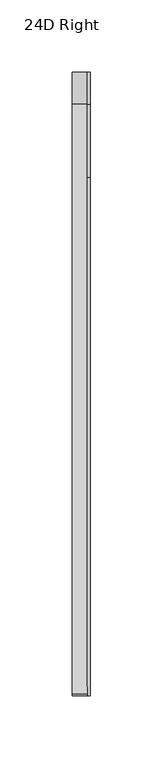
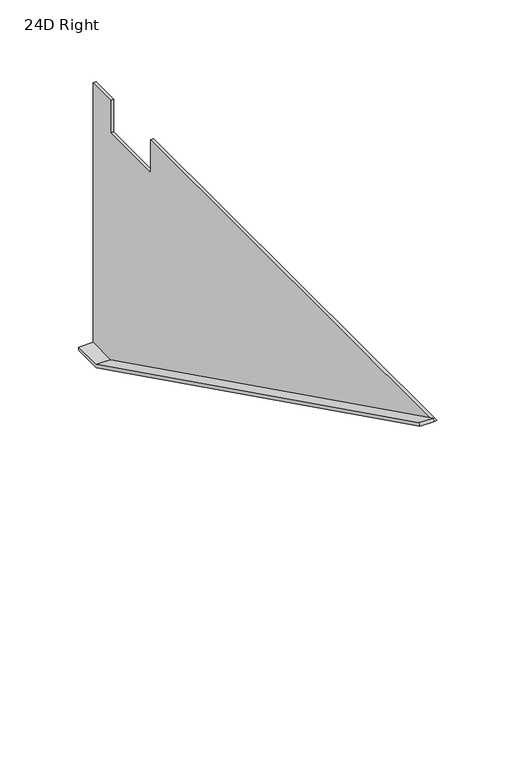
"""IFC4 building model written with IfcOpenShell, lengths in millimetres: furniture geometry, 24D Right."""

from ifc_helpers import new_model, si_unit, frame, origin, place, context, project, spatial, polyline, outline, extrude, source, transform, mapped, element, save


def furniture_24d_right_03892893(model_context):
    return source(origin(), model_context, "Body", "SweptSolid", [
        extrude(outline(polyline([(254.0, 835.7235), (254.0, 833.4375), (231.775, 833.4375), (-178.0807823, 1036.6375), (-177.0653655, 1038.6856027), (232.3105764, 835.7235), (254.0, 835.7235)])), frame((-12.7, 0.0, 0.0), z_axis=(1.0, 0.0, 0.0), x_axis=(0.0, 1.0, 0.0)), (0.0, 0.0, 1.0), 10.414),
        extrude(outline(polyline([(254.0, 1036.6375), (254.0, 833.4375), (231.775, 833.4375), (-178.0807823, 1036.6375), (180.975, 1036.6375), (180.975, 1011.2375), (231.775, 1011.2375), (231.775, 1036.6375), (254.0, 1036.6375)])), frame((-2.286, 0.0, 0.0), z_axis=(1.0, 0.0, 0.0), x_axis=(0.0, 1.0, 0.0)), (0.0, 0.0, 1.0), 2.286),
    ])


if __name__ == "__main__":
    model = new_model("IFC4")
    model_context = context("Model", 3, world=origin())
    ifc_project = project(units=[si_unit("LENGTHUNIT", "METRE", prefix="MILLI")], contexts=[model_context])
    site = spatial("IfcSite", under=ifc_project)
    building = spatial("IfcBuilding", under=site)
    placement = place(None, origin())
    furniture_24d_right_shape = furniture_24d_right_03892893(model_context)
    element("IfcFurniture", 1, ObjectType="24D Right", at=placement, inside=building, context=model_context, shape_type="MappedRepresentation", body=[
        mapped(furniture_24d_right_shape, transform((0.0, 0.0, 0.0), x_axis=(1.0, 0.0, 0.0), y_axis=(0.0, 1.0, 0.0), z_axis=(0.0, 0.0, 1.0))),
    ])
    save(model, "model.ifc")
